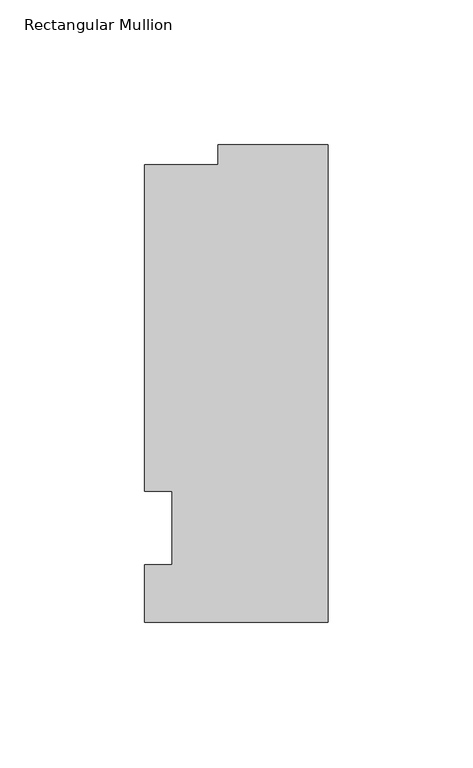
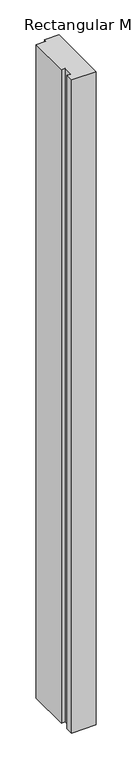
"""IFC4 building model written with IfcOpenShell, lengths in millimetres: member geometry, Rectangular Mullion."""

from ifc_helpers import new_model, si_unit, frame, origin, place, context, project, spatial, polyline, outline, extrude, source, transform, mapped, element, save


def rectangular_mullion_32761b97(model_context):
    return source(origin(), model_context, "Body", "SweptSolid", [
        extrude(outline(polyline([(-63.5, -32.54375), (-63.5, -12.7), (-53.975, -12.7), (-53.975, 12.7), (-63.5, 12.7), (-63.5, 125.59665), (-38.1, 125.59665), (-38.1, 132.55625), (0.0, 132.55625), (0.0, -32.54375), (-63.5, -32.54375)])), frame((0.0, 0.0, -1786.4666667), z_axis=(0.0, 0.0, 1.0), x_axis=(1.0, 0.0, 0.0)), (0.0, 0.0, 1.0), 1786.4666667),
    ])


if __name__ == "__main__":
    model = new_model("IFC4")
    model_context = context("Model", 3, world=origin())
    ifc_project = project(units=[si_unit("LENGTHUNIT", "METRE", prefix="MILLI")], contexts=[model_context])
    site = spatial("IfcSite", under=ifc_project)
    building = spatial("IfcBuilding", under=site)
    placement = place(None, origin())
    rectangular_mullion_shape = rectangular_mullion_32761b97(model_context)
    element("IfcMember", 1, ObjectType="Rectangular Mullion", at=placement, inside=building, context=model_context, shape_type="MappedRepresentation", body=[
        mapped(rectangular_mullion_shape, transform((0.0, 0.0, 0.0), x_axis=(1.0, 0.0, 0.0), y_axis=(0.0, 1.0, 0.0), z_axis=(0.0, 0.0, 1.0))),
    ])
    save(model, "model.ifc")
